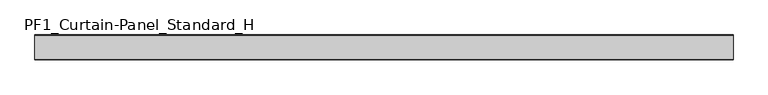
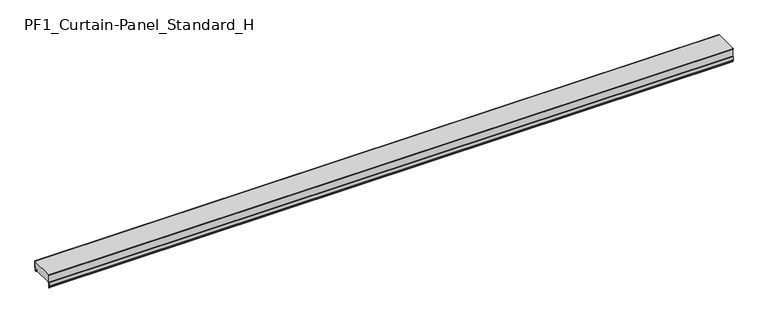
"""IFC4 building model written with IfcOpenShell, lengths in millimetres: plate geometry, PF1_Curtain-Panel_Standard_H."""

from ifc_helpers import new_model, si_unit, point, frame, frame_2d, origin, place, context, project, spatial, polyline, circle_curve, trimmed, segment, composite_curve, outline, extrude, source, transform, mapped, element, save


def pf1_curtain_panel_standard_h_4abedf24(model_context):
    return source(origin(), model_context, "Body", "SweptSolid", [
        extrude(outline(composite_curve([segment(polyline([(-15.878557, 0.0), (-20.0, 0.0), (-20.0, 0.8), (-15.878557, 0.8)]), True, "CONTINUOUS"), segment(trimmed(circle_curve(frame_2d((-15.878557, -2.0)), 2.8), [point((-15.878557, 0.8))], [point((-13.1503208, -1.370137))], False, "CARTESIAN"), True, "CONTINUOUS"), segment(polyline([(-13.1503208, -1.370137), (-11.728236, -7.529863)]), True, "CONTINUOUS"), segment(trimmed(circle_curve(frame_2d((-9.0, -6.9)), 2.8), [point((-11.728236, -7.529863))], [point((-6.2, -6.9))], True, "CARTESIAN"), True, "CONTINUOUS"), segment(polyline([(-6.2, -6.9), (-6.2, 8.6)]), True, "CONTINUOUS"), segment(trimmed(circle_curve(frame_2d((-3.4, 8.6)), 2.8), [point((-6.2, 8.6))], [point((-3.4, 11.4))], False, "CARTESIAN"), True, "CONTINUOUS"), segment(polyline([(-3.4, 11.4), (-2.0, 11.4)]), True, "CONTINUOUS"), segment(trimmed(circle_curve(frame_2d((-2.0, 12.6)), 1.2), [point((-2.0, 11.4))], [point((-0.8, 12.6))], True, "CARTESIAN"), True, "CONTINUOUS"), segment(polyline([(-0.8, 12.6), (-0.8, 50.0), (0.0, 50.0), (0.0, 12.6)]), True, "CONTINUOUS"), segment(trimmed(circle_curve(frame_2d((-2.0, 12.6)), 2.0), [point((0.0, 12.6))], [point((-2.0, 10.6))], False, "CARTESIAN"), True, "CONTINUOUS"), segment(polyline([(-2.0, 10.6), (-3.4, 10.6)]), True, "CONTINUOUS"), segment(trimmed(circle_curve(frame_2d((-3.4, 8.6)), 2.0), [point((-3.4, 10.6))], [point((-5.4, 8.6))], True, "CARTESIAN"), True, "CONTINUOUS"), segment(polyline([(-5.4, 8.6), (-5.4, -6.9)]), True, "CONTINUOUS"), segment(trimmed(circle_curve(frame_2d((-9.0, -6.9)), 3.6), [point((-5.4, -6.9))], [point((-12.5077322, -7.7098239))], False, "CARTESIAN"), True, "CONTINUOUS"), segment(polyline([(-12.5077322, -7.7098239), (-13.929817, -1.5500979)]), True, "CONTINUOUS"), segment(trimmed(circle_curve(frame_2d((-15.878557, -2.0)), 2.0), [point((-13.929817, -1.5500979))], [point((-15.878557, 0.0))], True, "CARTESIAN"), True, "CONTINUOUS")], self_intersect=False)), frame((-2100.0, 0.0, 0.0), z_axis=(1.0, 0.0, 0.0), x_axis=(0.0, 1.0, 0.0)), (0.0, 0.0, 1.0), 4200.0),
        extrude(outline(composite_curve([segment(polyline([(-140.0, 0.0), (-143.5, 0.0)]), True, "CONTINUOUS"), segment(trimmed(circle_curve(frame_2d((-143.5, -2.0)), 2.0), [point((-143.5, 0.0))], [point((-145.5, -2.0))], True, "CARTESIAN"), True, "CONTINUOUS"), segment(polyline([(-145.5, -2.0), (-145.5, -33.0)]), True, "CONTINUOUS"), segment(trimmed(circle_curve(frame_2d((-146.5, -33.0)), 1.0), [point((-145.5, -33.0))], [point((-147.5, -33.0))], False, "CARTESIAN"), True, "CONTINUOUS"), segment(polyline([(-147.5, -33.0), (-147.5, -26.9)]), True, "CONTINUOUS"), segment(trimmed(circle_curve(frame_2d((-148.4, -26.9)), 0.9), [point((-147.5, -26.9))], [point((-148.4, -26.0))], True, "CARTESIAN"), True, "CONTINUOUS"), segment(trimmed(circle_curve(frame_2d((-148.4, -24.4)), 1.6), [point((-148.4, -26.0))], [point((-150.0, -24.4))], False, "CARTESIAN"), True, "CONTINUOUS"), segment(polyline([(-150.0, -24.4), (-150.0, -0.9952559), (-148.5, 1.6028217), (-148.5, 46.4028193), (-150.0, 49.0008969), (-150.0, 50.0), (-149.2, 50.0), (-149.2, 49.2152562), (-147.7, 46.6171786), (-147.7, 1.3884624), (-149.2, -1.2096152), (-149.2, -24.4)]), True, "CONTINUOUS"), segment(trimmed(circle_curve(frame_2d((-148.4, -24.4)), 0.8), [point((-149.2, -24.4))], [point((-148.4, -25.2))], True, "CARTESIAN"), True, "CONTINUOUS"), segment(trimmed(circle_curve(frame_2d((-148.6133333, -26.9)), 1.7133333), [point((-148.4, -25.2))], [point((-146.9, -26.9))], False, "CARTESIAN"), True, "CONTINUOUS"), segment(polyline([(-146.9, -26.9), (-146.9, -32.8700312)]), True, "CONTINUOUS"), segment(trimmed(circle_curve(frame_2d((-146.6, -32.8700312)), 0.3), [point((-146.9, -32.8700312))], [point((-146.3, -32.8700312))], True, "CARTESIAN"), True, "CONTINUOUS"), segment(polyline([(-146.3, -32.8700312), (-146.3, -2.0)]), True, "CONTINUOUS"), segment(trimmed(circle_curve(frame_2d((-143.5, -2.0)), 2.8), [point((-146.3, -2.0))], [point((-143.5, 0.8))], False, "CARTESIAN"), True, "CONTINUOUS"), segment(polyline([(-143.5, 0.8), (-140.0, 0.8), (-140.0, 0.0)]), True, "CONTINUOUS")], self_intersect=False)), frame((-2100.0, 0.0, 0.0), z_axis=(1.0, 0.0, 0.0), x_axis=(0.0, 1.0, 0.0)), (0.0, 0.0, 1.0), 4200.0),
        extrude(outline(composite_curve([segment(polyline([(-140.0, 0.8), (-143.5, 0.8)]), True, "CONTINUOUS"), segment(trimmed(circle_curve(frame_2d((-143.5, -2.0)), 2.8), [point((-143.5, 0.8))], [point((-146.3, -2.0))], True, "CARTESIAN"), True, "CONTINUOUS"), segment(polyline([(-146.3, -2.0), (-146.3, -32.8700312)]), True, "CONTINUOUS"), segment(trimmed(circle_curve(frame_2d((-146.6, -32.8700312)), 0.3), [point((-146.3, -32.8700312))], [point((-146.9, -32.8700312))], False, "CARTESIAN"), True, "CONTINUOUS"), segment(polyline([(-146.9, -32.8700312), (-146.9, -26.9)]), True, "CONTINUOUS"), segment(trimmed(circle_curve(frame_2d((-148.6133333, -26.9)), 1.7133333), [point((-146.9, -26.9))], [point((-148.4, -25.2))], True, "CARTESIAN"), True, "CONTINUOUS"), segment(trimmed(circle_curve(frame_2d((-148.4, -24.4)), 0.8), [point((-148.4, -25.2))], [point((-149.2, -24.4))], False, "CARTESIAN"), True, "CONTINUOUS"), segment(polyline([(-149.2, -24.4), (-149.2, -1.2096152), (-147.7, 1.3884624), (-147.7, 46.6171786), (-149.2, 49.2152562), (-149.2, 50.0), (-0.8, 50.0), (-0.8, 12.6)]), True, "CONTINUOUS"), segment(trimmed(circle_curve(frame_2d((-2.0, 12.6)), 1.2), [point((-0.8, 12.6))], [point((-2.0, 11.4))], False, "CARTESIAN"), True, "CONTINUOUS"), segment(polyline([(-2.0, 11.4), (-3.4, 11.4)]), True, "CONTINUOUS"), segment(trimmed(circle_curve(frame_2d((-3.4, 8.6)), 2.8), [point((-3.4, 11.4))], [point((-6.2, 8.6))], True, "CARTESIAN"), True, "CONTINUOUS"), segment(polyline([(-6.2, 8.6), (-6.2, -6.9)]), True, "CONTINUOUS"), segment(trimmed(circle_curve(frame_2d((-9.0, -6.9)), 2.8), [point((-6.2, -6.9))], [point((-11.7282362, -7.529863))], False, "CARTESIAN"), True, "CONTINUOUS"), segment(polyline([(-11.7282362, -7.529863), (-13.1503208, -1.370137)]), True, "CONTINUOUS"), segment(trimmed(circle_curve(frame_2d((-15.878557, -2.0)), 2.8), [point((-13.1503208, -1.370137))], [point((-15.878557, 0.8))], True, "CARTESIAN"), True, "CONTINUOUS"), segment(polyline([(-15.878557, 0.8), (-20.0, 0.8), (-20.0, 0.0), (-140.0, 0.0), (-140.0, 0.8)]), True, "CONTINUOUS")], self_intersect=False)), frame((-2100.0, 0.0, 0.0), z_axis=(1.0, 0.0, 0.0), x_axis=(0.0, 1.0, 0.0)), (0.0, 0.0, 1.0), 4200.0),
    ])


if __name__ == "__main__":
    model = new_model("IFC4")
    model_context = context("Model", 3, world=origin())
    ifc_project = project(units=[si_unit("LENGTHUNIT", "METRE", prefix="MILLI")], contexts=[model_context])
    site = spatial("IfcSite", under=ifc_project)
    building = spatial("IfcBuilding", under=site)
    placement = place(None, origin())
    pf1_curtain_panel_standard_h_shape = pf1_curtain_panel_standard_h_4abedf24(model_context)
    element("IfcPlate", 1, ObjectType="PF1_Curtain-Panel_Standard_H", at=placement, inside=building, context=model_context, shape_type="MappedRepresentation", body=[
        mapped(pf1_curtain_panel_standard_h_shape, transform((0.0, 0.0, 0.0), x_axis=(1.0, 0.0, 0.0), y_axis=(0.0, 1.0, 0.0), z_axis=(0.0, 0.0, 1.0))),
    ])
    save(model, "model.ifc")
